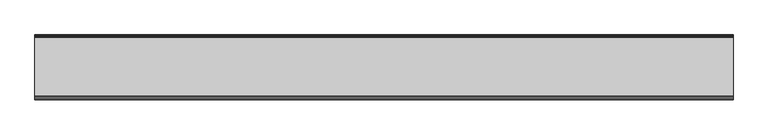
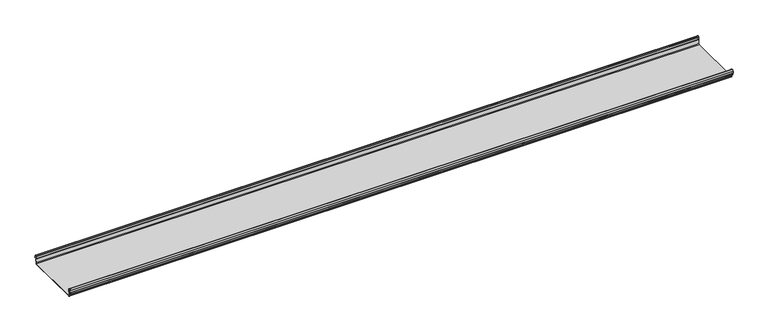
"""IFC4 building model written with IfcOpenShell, lengths in millimetres: beam geometry."""

from ifc_helpers import new_model, si_unit, frame, origin, place, context, project, spatial, polyline, circle_curve, source, transform, mapped, element, save
from ifc_brep_helpers import plane_surface, cylinder_surface, revolved_surface, advanced_brep


def beam_9584bfa9(model_context):
    return source(origin(), model_context, "Body", "AdvancedBrep", [
        advanced_brep(
        [(1908.1527468, 174.5298471, 17.4730576), (1908.1527468, 169.9958217, 21.2486363), (1908.1527468, 165.4890072, 17.6093124), (1908.1527468, 163.0420077, 6.2503755), (1908.1527468, 164.7006671, 3.7959761), (1908.1527468, 165.8698319, 2.0849359), (1908.1527468, 164.3793103, -21.3247551), (1908.1527468, 160.6848586, -24.7896475), (1908.1527468, -159.5640942, -24.7896475), (1908.1527468, -163.2568715, -21.3207217), (1908.1527468, -164.7263748, 2.1632779), (1908.1527468, -164.0984471, 3.0966958), (1908.1527468, -161.8868093, 6.1624874), (1908.1527468, -162.770348, 17.3389905), (1908.1527468, -170.0, 24.0196704), (1908.1527468, -177.229652, 17.3389905), (1908.1527468, -178.1131907, 6.1624874), (1908.1527468, -175.9015529, 3.0966958), (1908.1527468, -175.2736252, 2.1632779), (1908.1527468, -175.6653397, -4.0966758), (1908.1527468, -174.6633838, -4.0966758), (1908.1527468, -174.255975, 2.4140875), (1908.1527468, -175.661391, 4.0675496), (1908.1527468, -177.1158116, 6.08368), (1908.1527468, -176.2261211, 17.3379999), (1908.1527468, -170.0, 23.0196704), (1908.1527468, -163.767144, 17.2589936), (1908.1527468, -162.8795452, 6.0037927), (1908.1527468, -164.338609, 4.0675496), (1908.1527468, -165.744025, 2.4140875), (1908.1527468, -164.2549195, -21.3831743), (1908.1527468, -159.5640942, -25.7896475), (1908.1527468, 160.6846135, -25.7896475), (1908.1527468, 165.3772895, -21.3882975), (1908.1527468, 166.868024, 2.0247376), (1908.1527468, 164.9644432, 4.7613501), (1908.1527468, 164.0277999, 6.0779003), (1908.1527468, 166.4434849, 17.2822335), (1908.1527468, 170.0063307, 20.2496221), (1908.1527468, 173.4803249, 17.6539317), (1908.1527468, 175.5075757, 6.5459412), (1908.1527468, 176.5074356, 6.7299959), (-1908.1527468, 174.5298471, 17.4730576), (-1908.1527468, 176.5074356, 6.7299959), (-1908.1527468, 175.5075757, 6.5459412), (-1908.1527468, 173.4803249, 17.6539317), (-1908.1527468, 170.0063307, 20.2496221), (-1908.1527468, 166.4434849, 17.2822335), (-1908.1527468, 164.0277999, 6.0779003), (-1908.1527468, 164.9644432, 4.7613501), (-1908.1527468, 166.868024, 2.0247376), (-1908.1527468, 165.3772895, -21.3882975), (-1908.1527468, 160.6846135, -25.7896475), (-1908.1527468, -159.5640942, -25.7896475), (-1908.1527468, -164.2549195, -21.3831743), (-1908.1527468, -165.744025, 2.4140875), (-1908.1527468, -164.338609, 4.0675496), (-1908.1527468, -162.8795452, 6.0037927), (-1908.1527468, -163.767144, 17.2589936), (-1908.1527468, -170.0, 23.0196704), (-1908.1527468, -176.2261211, 17.3379999), (-1908.1527468, -177.1158116, 6.08368), (-1908.1527468, -175.661391, 4.0675496), (-1908.1527468, -174.255975, 2.4140875), (-1908.1527468, -174.6633838, -4.0966758), (-1908.1527468, -175.6653397, -4.0966758), (-1908.1527468, -175.2736252, 2.1632779), (-1908.1527468, -175.9015529, 3.0966958), (-1908.1527468, -178.1066021, 6.2458324), (-1908.1527468, -177.229652, 17.3389905), (-1908.1527468, -170.0, 24.0196704), (-1908.1527468, -162.770348, 17.3389905), (-1908.1527468, -161.8868093, 6.1624874), (-1908.1527468, -164.0984471, 3.0966958), (-1908.1527468, -164.7263748, 2.1632779), (-1908.1527468, -163.2568715, -21.3207217), (-1908.1527468, -159.5640942, -24.7896475), (-1908.1527468, 160.6848586, -24.7896475), (-1908.1527468, 164.3793103, -21.3247551), (-1908.1527468, 165.8698319, 2.0849359), (-1908.1527468, 164.7006671, 3.7959761), (-1908.1527468, 163.0420077, 6.2503755), (-1908.1527468, 165.4890072, 17.6093124), (-1908.1527468, 169.9958217, 21.2486363)],
        [
            (0, 1, circle_curve(frame((1908.1527468, 169.9958217, 16.6384317), z_axis=(1.0, 0.0, 0.0), x_axis=(0.0, 1.0, 0.0)), 4.6102046)),
            (1, 2, circle_curve(frame((1908.1527468, 169.9958217, 16.6384317), z_axis=(1.0, 0.0, 0.0), x_axis=(0.0, 0.2105938444020083, 0.9775736456656259)), 4.6102046)),
            (2, 3),
            (3, 4, circle_curve(frame((1908.1527468, 165.4262002, 6.073937), z_axis=(1.0, 0.0, 0.0), x_axis=(0.0, -0.9528378408797884, 0.30347989881958104)), 2.3907121)),
            (4, 5, circle_curve(frame((1908.1527468, 164.1897695, 2.1919074), z_axis=(-1.0, 0.0, 0.0), x_axis=(0.0, 0.06354246328302078, 0.9979791357337717)), 1.6834645)),
            (5, 6),
            (6, 7, circle_curve(frame((1908.1527468, 160.6867875, -21.089648), z_axis=(-1.0, 0.0, 0.0), x_axis=(0.0, 0.9999998641088232, -0.0005213274739325337)), 3.7)),
            (7, 8),
            (8, 9, circle_curve(frame((1908.1527468, -159.5640942, -21.0896475), z_axis=(-1.0, 0.0, 0.0), x_axis=(0.0, 0.062452508687223206, -0.9980479368039755)), 3.7)),
            (9, 10),
            (10, 11, circle_curve(frame((1908.1527468, -163.8044049, 2.2209698), z_axis=(-1.0, 0.0, 0.0), x_axis=(0.0, -0.9479881328261025, -0.31830567073314897)), 0.9237732)),
            (11, 12, circle_curve(frame((1908.1527468, -164.7984694, 5.9323112), z_axis=(1.0, 0.0, 0.0), x_axis=(0.0, 0.07880737243916666, -0.9968898625471294)), 2.9207441)),
            (12, 13),
            (13, 14, circle_curve(frame((1908.1527468, -170.0, 16.7674631), z_axis=(1.0, 0.0, 0.0), x_axis=(0.0, 1.0, 0.0)), 7.2522073)),
            (14, 15, circle_curve(frame((1908.1527468, -170.0, 16.7674631), z_axis=(1.0, 0.0, 0.0), x_axis=(0.0, 0.07880737243912425, 0.9968898625471327)), 7.2522073)),
            (15, 16),
            (16, 17, circle_curve(frame((1908.1527468, -175.2001089, 5.9344165), z_axis=(1.0, 0.0, 0.0), x_axis=(0.0, -0.9707819351134729, 0.2399634023290655)), 2.9231288)),
            (17, 18, circle_curve(frame((1908.1527468, -176.1025472, 2.2835649), z_axis=(-1.0, 0.0, 0.0), x_axis=(0.0, 0.14360843272178178, 0.9896345881441257)), 0.8376041)),
            (18, 19),
            (19, 20, circle_curve(frame((1908.1527468, -175.1643617, -4.0966758), z_axis=(1.0, 0.0, 0.0), x_axis=(0.0, 0.0, -1.0)), 0.5009779)),
            (20, 21),
            (21, 22, circle_curve(frame((1908.1527468, -176.1062911, 2.2653702), z_axis=(1.0, 0.0, 0.0), x_axis=(0.0, 0.9708537722163966, -0.23967259537375799)), 1.856283)),
            (22, 23, circle_curve(frame((1908.1527468, -175.2010412, 5.9323112), z_axis=(-1.0, 0.0, 0.0), x_axis=(0.0, -0.07880737243914376, -0.9968898625471312)), 1.9207441)),
            (23, 24),
            (24, 25, circle_curve(frame((1908.1527468, -170.0770494, 16.8518958), z_axis=(-1.0, 0.0, 0.0), x_axis=(0.0, -0.9999219808421378, 0.012491286112139365)), 6.1682558)),
            (25, 26, circle_curve(frame((1908.1527468, -170.0791743, 16.6817991), z_axis=(-1.0, 0.0, 0.0), x_axis=(0.0, -0.09106361391821856, 0.9958450774192508)), 6.3383658)),
            (26, 27),
            (27, 28, circle_curve(frame((1908.1527468, -164.70299, 5.8599936), z_axis=(-1.0, 0.0, 0.0), x_axis=(0.0, 0.9799562955839813, 0.19921259685401593)), 1.8291061)),
            (28, 29, circle_curve(frame((1908.1527468, -163.9886548, 2.3460727), z_axis=(1.0, 0.0, 0.0), x_axis=(0.0, 0.03871763325448635, 0.9992501913310655)), 1.7566874)),
            (29, 30),
            (30, 31, circle_curve(frame((1908.1527468, -159.5640942, -21.0896475), z_axis=(1.0, 0.0, 0.0), x_axis=(0.0, -1.0, 0.0)), 4.7)),
            (31, 32),
            (32, 33, circle_curve(frame((1908.1527468, 160.6846135, -21.0873301), z_axis=(1.0, 0.0, 0.0), x_axis=(0.0, -0.06400407594283139, -0.997949637137418)), 4.7023174)),
            (33, 34),
            (34, 35, circle_curve(frame((1908.1527468, 164.1939121, 2.1950013), z_axis=(1.0, 0.0, 0.0), x_axis=(0.0, 0.9577619201002135, -0.2875623487279797)), 2.6795268)),
            (35, 36, circle_curve(frame((1908.1527468, 165.0972859, 5.8473161), z_axis=(-1.0, 0.0, 0.0), x_axis=(0.0, -0.210759855052358, -0.9775378680635902)), 1.094061)),
            (36, 37),
            (37, 38, circle_curve(frame((1908.1527468, 170.0063307, 16.627032), z_axis=(-1.0, 0.0, 0.0), x_axis=(0.0, -1.0, 0.0)), 3.6225901)),
            (38, 39, circle_curve(frame((1908.1527468, 170.0063307, 16.627032), z_axis=(-1.0, 0.0, 0.0), x_axis=(0.0, -0.2834711363957483, 0.9589807687490417)), 3.6225901)),
            (39, 40),
            (40, 41, circle_curve(frame((1908.1527468, 176.0075057, 6.6379685), z_axis=(1.0, 0.0, 0.0), x_axis=(0.0, 0.18103878268247353, -0.9834759575937014)), 0.5083296)),
            (41, 0),
            (42, 43),
            (43, 44, circle_curve(frame((-1908.1527468, 176.0075057, 6.6379685), z_axis=(-1.0, 0.0, 0.0), x_axis=(0.0, 0.18103878268247353, -0.9834759575937014)), 0.5083296)),
            (44, 45),
            (45, 46, circle_curve(frame((-1908.1527468, 170.0063307, 16.627032), z_axis=(1.0, 0.0, 0.0), x_axis=(0.0, -0.2834711363957483, 0.9589807687490417)), 3.6225901)),
            (46, 47, circle_curve(frame((-1908.1527468, 170.0063307, 16.627032), z_axis=(1.0, 0.0, 0.0), x_axis=(0.0, -1.0, 0.0)), 3.6225901)),
            (47, 48),
            (48, 49, circle_curve(frame((-1908.1527468, 165.0972859, 5.8473161), z_axis=(1.0, 0.0, 0.0), x_axis=(0.0, -0.210759855052358, -0.9775378680635902)), 1.094061)),
            (49, 50, circle_curve(frame((-1908.1527468, 164.1939121, 2.1950013), z_axis=(-1.0, 0.0, 0.0), x_axis=(0.0, 0.9577619201002135, -0.2875623487279797)), 2.6795268)),
            (50, 51),
            (51, 52, circle_curve(frame((-1908.1527468, 160.6846135, -21.0873301), z_axis=(-1.0, 0.0, 0.0), x_axis=(0.0, -0.06400407594283139, -0.997949637137418)), 4.7023174)),
            (52, 53),
            (53, 54, circle_curve(frame((-1908.1527468, -159.5640942, -21.0896475), z_axis=(-1.0, 0.0, 0.0), x_axis=(0.0, -1.0, 0.0)), 4.7)),
            (54, 55),
            (55, 56, circle_curve(frame((-1908.1527468, -163.9886548, 2.3460727), z_axis=(-1.0, 0.0, 0.0), x_axis=(0.0, 0.03871763325448635, 0.9992501913310655)), 1.7566874)),
            (56, 57, circle_curve(frame((-1908.1527468, -164.70299, 5.8599936), z_axis=(1.0, 0.0, 0.0), x_axis=(0.0, 0.9799562955839813, 0.19921259685401593)), 1.8291061)),
            (57, 58),
            (58, 59, circle_curve(frame((-1908.1527468, -170.0791743, 16.6817991), z_axis=(1.0, 0.0, 0.0), x_axis=(0.0, -0.09106361391821856, 0.9958450774192508)), 6.3383658)),
            (59, 60, circle_curve(frame((-1908.1527468, -170.0770494, 16.8518958), z_axis=(1.0, 0.0, 0.0), x_axis=(0.0, -0.9999219808421378, 0.012491286112139365)), 6.1682558)),
            (60, 61),
            (61, 62, circle_curve(frame((-1908.1527468, -175.2010412, 5.9323112), z_axis=(1.0, 0.0, 0.0), x_axis=(0.0, -0.07880737243914376, -0.9968898625471312)), 1.9207441)),
            (62, 63, circle_curve(frame((-1908.1527468, -176.1062911, 2.2653702), z_axis=(-1.0, 0.0, 0.0), x_axis=(0.0, 0.9708537722163966, -0.23967259537375799)), 1.856283)),
            (63, 64),
            (64, 65, circle_curve(frame((-1908.1527468, -175.1643617, -4.0966758), z_axis=(-1.0, 0.0, 0.0), x_axis=(0.0, 0.0, -1.0)), 0.5009779)),
            (65, 66),
            (66, 67, circle_curve(frame((-1908.1527468, -176.1025472, 2.2835649), z_axis=(1.0, 0.0, 0.0), x_axis=(0.0, 0.14360843272178178, 0.9896345881441257)), 0.8376041)),
            (67, 68, circle_curve(frame((-1908.1527468, -175.2001089, 5.9344165), z_axis=(-1.0, 0.0, 0.0), x_axis=(0.0, -0.9707819351134729, 0.2399634023290655)), 2.9231288)),
            (68, 69),
            (69, 70, circle_curve(frame((-1908.1527468, -170.0, 16.7674631), z_axis=(-1.0, 0.0, 0.0), x_axis=(0.0, 0.07880737243912425, 0.9968898625471327)), 7.2522073)),
            (70, 71, circle_curve(frame((-1908.1527468, -170.0, 16.7674631), z_axis=(-1.0, 0.0, 0.0), x_axis=(0.0, 1.0, 0.0)), 7.2522073)),
            (71, 72),
            (72, 73, circle_curve(frame((-1908.1527468, -164.7984694, 5.9323112), z_axis=(-1.0, 0.0, 0.0), x_axis=(0.0, 0.07880737243916666, -0.9968898625471294)), 2.9207441)),
            (73, 74, circle_curve(frame((-1908.1527468, -163.8044049, 2.2209698), z_axis=(1.0, 0.0, 0.0), x_axis=(0.0, -0.9479881328261025, -0.31830567073314897)), 0.9237732)),
            (74, 75),
            (75, 76, circle_curve(frame((-1908.1527468, -159.5640942, -21.0896475), z_axis=(1.0, 0.0, 0.0), x_axis=(0.0, 0.062452508687223206, -0.9980479368039755)), 3.7)),
            (76, 77),
            (77, 78, circle_curve(frame((-1908.1527468, 160.6867875, -21.089648), z_axis=(1.0, 0.0, 0.0), x_axis=(0.0, 0.9999998641088232, -0.0005213274739325337)), 3.7)),
            (78, 79),
            (79, 80, circle_curve(frame((-1908.1527468, 164.1897695, 2.1919074), z_axis=(1.0, 0.0, 0.0), x_axis=(0.0, 0.06354246328302078, 0.9979791357337717)), 1.6834645)),
            (80, 81, circle_curve(frame((-1908.1527468, 165.4262002, 6.073937), z_axis=(-1.0, 0.0, 0.0), x_axis=(0.0, -0.9528378408797884, 0.30347989881958104)), 2.3907121)),
            (81, 82),
            (82, 83, circle_curve(frame((-1908.1527468, 169.9958217, 16.6384317), z_axis=(-1.0, 0.0, 0.0), x_axis=(0.0, 0.2105938444020083, 0.9775736456656259)), 4.6102046)),
            (83, 42, circle_curve(frame((-1908.1527468, 169.9958217, 16.6384317), z_axis=(-1.0, 0.0, 0.0), x_axis=(0.0, 1.0, 0.0)), 4.6102046)),
            (42, 0),
            (41, 43),
            (40, 44),
            (39, 45),
            (38, 46),
            (37, 47),
            (36, 48),
            (35, 49),
            (34, 50),
            (33, 51),
            (32, 52),
            (31, 53),
            (30, 54),
            (29, 55),
            (28, 56),
            (27, 57),
            (26, 58),
            (25, 59),
            (24, 60),
            (23, 61),
            (22, 62),
            (21, 63),
            (20, 64),
            (19, 65),
            (18, 66),
            (17, 67),
            (16, 68),
            (15, 69),
            (14, 70),
            (13, 71),
            (12, 72),
            (11, 73),
            (10, 74),
            (9, 75),
            (8, 76),
            (7, 77),
            (6, 78),
            (5, 79),
            (4, 80),
            (3, 81),
            (2, 82),
            (1, 83),
        ],
        [
            plane_surface(frame((1908.1527468, 176.5074356, 6.7299959), z_axis=(1.0000000000000002, 0.0, 0.0), x_axis=(0.0, -0.18103878268248824, 0.9834759575936989))),
            plane_surface(frame((-1908.1527468, 176.5074356, 6.7299959), z_axis=(-1.0000000000000002, 0.0, 0.0), x_axis=(0.0, 0.18103878268248824, -0.9834759575936989))),
            plane_surface(frame((1908.1527468, 175.5186413, 12.1015267), z_axis=(0.0, 0.9834759575937931, 0.18103878268197598), x_axis=(0.0, 0.18103878268197598, -0.9834759575937931))),
            cylinder_surface(frame((1908.1527468, 176.0075057, 6.6379685), z_axis=(-1.0, 0.0, 0.0), x_axis=(0.0, 0.18103878268247353, -0.9834759575937014)), 0.5083296),
            plane_surface(frame((1908.1527468, 174.4939503, 12.0999365), z_axis=(0.0, -0.9837509798366516, -0.17953832368168063), x_axis=(0.0, -0.17953832368168063, 0.9837509798366516))),
            revolved_surface(polyline([(-1908.1527468, 168.979430967657, 20.101026238960667), (1908.1527468, 168.979430967657, 20.101026238960667)]), (1908.1527468, 170.0063307, 16.627032), (-1.0, 0.0, 0.0)),
            revolved_surface(polyline([(-1908.1527468, 166.3837406, 16.627032), (1908.1527468, 166.3837406, 16.627032)]), (1908.1527468, 170.0063307, 16.627032), (-1.0, 0.0, 0.0)),
            plane_surface(frame((1908.1527468, 165.2356424, 11.6800669), z_axis=(0.0, 0.9775378680634891, -0.2107598550528272), x_axis=(0.0, -0.2107598550528272, -0.9775378680634891))),
            revolved_surface(polyline([(-1908.1527468, 164.86670176222157, 4.77783004252848), (1908.1527468, 164.86670176222157, 4.77783004252848)]), (1908.1527468, 165.0972859, 5.8473161), (-1.0, 0.0, 0.0)),
            cylinder_surface(frame((1908.1527468, 164.1939121, 2.1950013), z_axis=(-1.0, 0.0, 0.0), x_axis=(0.0, 0.9577619201002135, -0.2875623487279797)), 2.6795268),
            plane_surface(frame((1908.1527468, 166.1226567, -9.68178), z_axis=(0.0, 0.9979791357337514, -0.06354246328334037), x_axis=(0.0, -0.06354246328334037, -0.9979791357337514))),
            cylinder_surface(frame((1908.1527468, 160.6846135, -21.0873301), z_axis=(-1.0, 0.0, 0.0), x_axis=(0.0, -0.06400407594283139, -0.997949637137418)), 4.7023174),
            plane_surface(frame((1908.1527468, 0.5602597, -25.7896475), z_axis=(0.0, 0.0, -1.0), x_axis=(0.0, -1.0, 0.0))),
            cylinder_surface(frame((1908.1527468, -159.5640942, -21.0896475), z_axis=(-1.0, 0.0, 0.0), x_axis=(0.0, -1.0, 0.0)), 4.7),
            plane_surface(frame((1908.1527468, -164.9994722, -9.4845434), z_axis=(0.0, -0.99804793680396, -0.06245250868747398), x_axis=(0.0, -0.06245250868747398, 0.99804793680396))),
            cylinder_surface(frame((1908.1527468, -163.9886548, 2.3460727), z_axis=(-1.0, 0.0, 0.0), x_axis=(0.0, 0.03871763325448635, 0.9992501913310655)), 1.7566874),
            revolved_surface(polyline([(-1908.1527468, -162.91054596201394, 6.224374576102521), (1908.1527468, -162.91054596201394, 6.224374576102521)]), (1908.1527468, -164.70299, 5.8599936), (-1.0, 0.0, 0.0)),
            plane_surface(frame((1908.1527468, -163.3233446, 11.6313931), z_axis=(0.0, -0.9969048840807634, -0.07861712342689589), x_axis=(0.0, -0.07861712342689589, 0.9969048840807634))),
            revolved_surface(polyline([(-1908.1527468, -170.65636879608365, 22.99382948081253), (1908.1527468, -170.65636879608365, 22.99382948081253)]), (1908.1527468, -170.0791743, 16.6817991), (-1.0, 0.0, 0.0)),
            revolved_surface(polyline([(-1908.1527468, -176.244823957877, 16.928945248010663), (1908.1527468, -176.244823957877, 16.928945248010663)]), (1908.1527468, -170.0770494, 16.8518958), (-1.0, 0.0, 0.0)),
            plane_surface(frame((1908.1527468, -176.6709664, 11.71084), z_axis=(0.0, 0.9968898625470921, -0.07880737243963815), x_axis=(0.0, -0.07880737243963815, -0.9968898625470921))),
            revolved_surface(polyline([(-1908.1527468, -175.35240999564897, 4.017540878162787), (1908.1527468, -175.35240999564897, 4.017540878162787)]), (1908.1527468, -175.2010412, 5.9323112), (-1.0, 0.0, 0.0)),
            cylinder_surface(frame((1908.1527468, -176.1062911, 2.2653702), z_axis=(-1.0, 0.0, 0.0), x_axis=(0.0, 0.9708537722163966, -0.23967259537375799)), 1.856283),
            plane_surface(frame((1908.1527468, -174.4596794, -0.8412941), z_axis=(0.0, 0.9980479368039222, -0.06245250868807452), x_axis=(0.0, -0.06245250868807452, -0.9980479368039222))),
            cylinder_surface(frame((1908.1527468, -175.1643617, -4.0966758), z_axis=(-1.0, 0.0, 0.0), x_axis=(0.0, 0.0, -1.0)), 0.5009779),
            plane_surface(frame((1908.1527468, -175.4694824, -0.9666989), z_axis=(0.0, -0.9980479368040358, 0.06245250868626084), x_axis=(0.0, 0.06245250868626084, 0.9980479368040358))),
            revolved_surface(polyline([(-1908.1527468, -175.98226018795768, 3.112486888531331), (1908.1527468, -175.98226018795768, 3.112486888531331)]), (1908.1527468, -176.1025472, 2.2835649), (-1.0, 0.0, 0.0)),
            cylinder_surface(frame((1908.1527468, -175.2001089, 5.9344165), z_axis=(-1.0, 0.0, 0.0), x_axis=(0.0, -0.9707819351134729, 0.2399634023290655)), 2.9231288),
            plane_surface(frame((1908.1527468, -177.6714214, 11.7507389), z_axis=(0.0, -0.9968898625471735, 0.07880737243860966), x_axis=(0.0, 0.07880737243860966, 0.9968898625471735))),
            cylinder_surface(frame((1908.1527468, -170.0, 16.7674631), z_axis=(-1.0, 0.0, 0.0), x_axis=(0.0, 0.07880737243912425, 0.9968898625471327)), 7.2522073),
            cylinder_surface(frame((1908.1527468, -170.0, 16.7674631), z_axis=(-1.0, 0.0, 0.0), x_axis=(0.0, 1.0, 0.0)), 7.2522073),
            plane_surface(frame((1908.1527468, -162.3285786, 11.7507389), z_axis=(0.0, 0.9968898625471712, 0.07880737243863836), x_axis=(0.0, 0.07880737243863836, -0.9968898625471712))),
            cylinder_surface(frame((1908.1527468, -164.7984694, 5.9323112), z_axis=(-1.0, 0.0, 0.0), x_axis=(0.0, 0.07880737243916666, -0.9968898625471294)), 2.9207441),
            revolved_surface(polyline([(-1908.1527468, -164.6801309310228, 1.9269275519686928), (1908.1527468, -164.6801309310228, 1.9269275519686928)]), (1908.1527468, -163.8044049, 2.2209698), (-1.0, 0.0, 0.0)),
            plane_surface(frame((1908.1527468, -163.9916232, -9.5787219), z_axis=(0.0, 0.9980479368039906, 0.0624525086869835), x_axis=(0.0, 0.0624525086869835, -0.9980479368039906))),
            revolved_surface(polyline([(-1908.1527468, -159.33301991785729, -24.78242486617471), (1908.1527468, -159.33301991785729, -24.78242486617471)]), (1908.1527468, -159.5640942, -21.0896475), (-1.0, 0.0, 0.0)),
            plane_surface(frame((1908.1527468, 0.5603822, -24.7896475), z_axis=(0.0, 0.0, 1.0), x_axis=(0.0, 1.0, 0.0))),
            revolved_surface(polyline([(-1908.1527468, 164.38678699720265, -21.09157691165355), (1908.1527468, 164.38678699720265, -21.09157691165355)]), (1908.1527468, 160.6867875, -21.089648), (-1.0, 0.0, 0.0)),
            plane_surface(frame((1908.1527468, 165.1245711, -9.6199096), z_axis=(0.0, -0.9979791357337828, 0.06354246328284598), x_axis=(0.0, 0.06354246328284598, 0.9979791357337828))),
            revolved_surface(polyline([(-1908.1527468, 164.29674098117954, 3.871969846748486), (1908.1527468, 164.29674098117954, 3.871969846748486)]), (1908.1527468, 164.1897695, 2.1919074), (-1.0, 0.0, 0.0)),
            cylinder_surface(frame((1908.1527468, 165.4262002, 6.073937), z_axis=(-1.0, 0.0, 0.0), x_axis=(0.0, -0.9528378408797884, 0.30347989881958104)), 2.3907121),
            plane_surface(frame((1908.1527468, 164.2655075, 11.929844), z_axis=(0.0, -0.9775736456657296, 0.21059384440152715), x_axis=(0.0, 0.21059384440152715, 0.9775736456657296))),
            cylinder_surface(frame((1908.1527468, 169.9958217, 16.6384317), z_axis=(-1.0, 0.0, 0.0), x_axis=(0.0, 0.2105938444020083, 0.9775736456656259)), 4.6102046),
            cylinder_surface(frame((1908.1527468, 169.9958217, 16.6384317), z_axis=(-1.0, 0.0, 0.0), x_axis=(0.0, 1.0, 0.0)), 4.6102046),
        ],
        [
            (0, [[1, 2, 3, 4, 5, 6, 7, 8, 9, 10, 11, 12, 13, 14, 15, 16, 17, 18, 19, 20, 21, 22, 23, 24, 25, 26, 27, 28, 29, 30, 31, 32, 33, 34, 35, 36, 37, 38, 39, 40, 41, 42]]),
            (1, [[43, 44, 45, 46, 47, 48, 49, 50, 51, 52, 53, 54, 55, 56, 57, 58, 59, 60, 61, 62, 63, 64, 65, 66, 67, 68, 69, 70, 71, 72, 73, 74, 75, 76, 77, 78, 79, 80, 81, 82, 83, 84]]),
            (2, [[-43, 85, -42, 86]]),
            (3, [[-44, -86, -41, 87]]),
            (4, [[-45, -87, -40, 88]]),
            (5, [[-46, -88, -39, 89]]),
            (6, [[-47, -89, -38, 90]]),
            (7, [[-48, -90, -37, 91]]),
            (8, [[-49, -91, -36, 92]]),
            (9, [[-50, -92, -35, 93]]),
            (10, [[-51, -93, -34, 94]]),
            (11, [[-52, -94, -33, 95]]),
            (12, [[-53, -95, -32, 96]]),
            (13, [[-54, -96, -31, 97]]),
            (14, [[-55, -97, -30, 98]]),
            (15, [[-56, -98, -29, 99]]),
            (16, [[-57, -99, -28, 100]]),
            (17, [[-58, -100, -27, 101]]),
            (18, [[-59, -101, -26, 102]]),
            (19, [[-60, -102, -25, 103]]),
            (20, [[-61, -103, -24, 104]]),
            (21, [[-62, -104, -23, 105]]),
            (22, [[-63, -105, -22, 106]]),
            (23, [[-64, -106, -21, 107]]),
            (24, [[-65, -107, -20, 108]]),
            (25, [[-66, -108, -19, 109]]),
            (26, [[-67, -109, -18, 110]]),
            (27, [[-68, -110, -17, 111]]),
            (28, [[-69, -111, -16, 112]]),
            (29, [[-70, -112, -15, 113]]),
            (30, [[-71, -113, -14, 114]]),
            (31, [[-72, -114, -13, 115]]),
            (32, [[-73, -115, -12, 116]]),
            (33, [[-74, -116, -11, 117]]),
            (34, [[-75, -117, -10, 118]]),
            (35, [[-76, -118, -9, 119]]),
            (36, [[-77, -119, -8, 120]]),
            (37, [[-78, -120, -7, 121]]),
            (38, [[-79, -121, -6, 122]]),
            (39, [[-80, -122, -5, 123]]),
            (40, [[-81, -123, -4, 124]]),
            (41, [[-82, -124, -3, 125]]),
            (42, [[-83, -125, -2, 126]]),
            (43, [[-84, -126, -1, -85]]),
        ],
    ),
    ])


if __name__ == "__main__":
    model = new_model("IFC4")
    model_context = context("Model", 3, world=origin())
    ifc_project = project(units=[si_unit("LENGTHUNIT", "METRE", prefix="MILLI")], contexts=[model_context])
    site = spatial("IfcSite", under=ifc_project)
    building = spatial("IfcBuilding", under=site)
    placement = place(None, origin())
    beam_shape = beam_9584bfa9(model_context)
    element("IfcBeam", 1, at=placement, inside=building, context=model_context, shape_type="MappedRepresentation", body=[
        mapped(beam_shape, transform((0.0, 0.0, 0.0), x_axis=(1.0, 0.0, 0.0), y_axis=(0.0, 1.0, 0.0), z_axis=(0.0, 0.0, 1.0))),
    ])
    save(model, "model.ifc")
